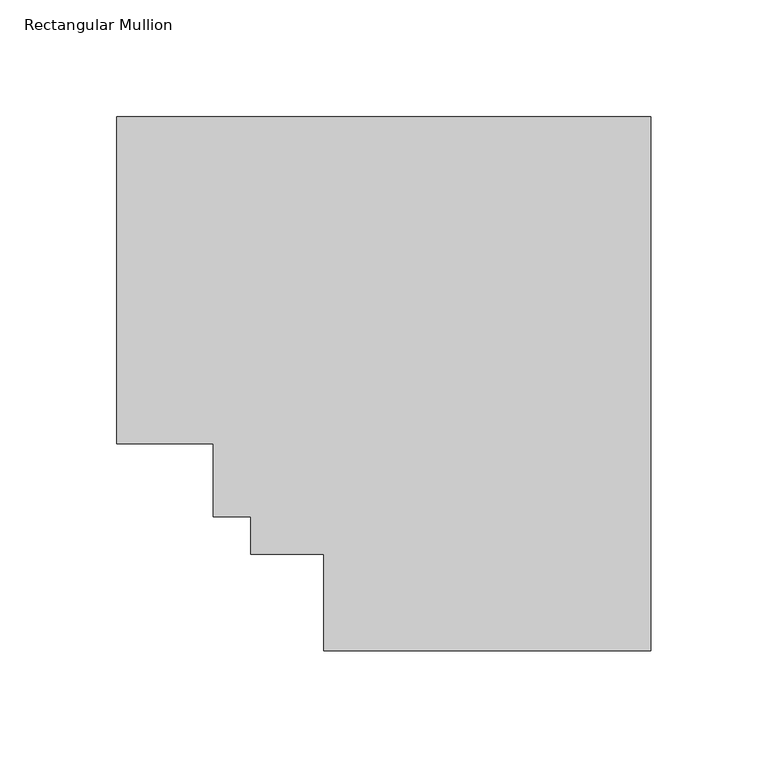
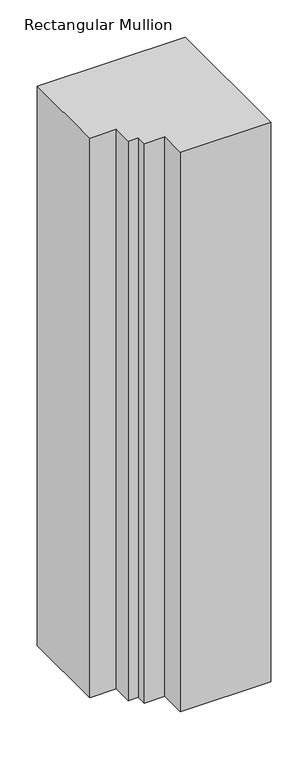
"""IFC4 building model written with IfcOpenShell, lengths in millimetres: member geometry, Rectangular Mullion."""

from ifc_helpers import new_model, si_unit, frame, origin, place, context, project, spatial, polyline, outline, extrude, source, transform, mapped, element, save


def rectangular_mullion_77aef744(model_context):
    return source(origin(), model_context, "Body", "SweptSolid", [
        extrude(outline(polyline([(-228.5662788, 190.7972494), (0.0, 190.7972494), (0.0, -37.7690294), (-139.9769715, -37.7690294), (-139.9769715, 3.5059706), (-171.2189715, 3.5059706), (-171.2189715, 19.578278), (-187.2912788, 19.578278), (-187.2912788, 50.820278), (-228.5662788, 50.820278), (-228.5662788, 190.7972494)])), frame((0.0, 0.0, -914.4), z_axis=(0.0, 0.0, 1.0), x_axis=(1.0, 0.0, 0.0)), (0.0, 0.0, 1.0), 914.4),
    ])


if __name__ == "__main__":
    model = new_model("IFC4")
    model_context = context("Model", 3, world=origin())
    ifc_project = project(units=[si_unit("LENGTHUNIT", "METRE", prefix="MILLI")], contexts=[model_context])
    site = spatial("IfcSite", under=ifc_project)
    building = spatial("IfcBuilding", under=site)
    placement = place(None, origin())
    rectangular_mullion_shape = rectangular_mullion_77aef744(model_context)
    element("IfcMember", 1, ObjectType="Rectangular Mullion", at=placement, inside=building, context=model_context, shape_type="MappedRepresentation", body=[
        mapped(rectangular_mullion_shape, transform((0.0, 0.0, 0.0), x_axis=(1.0, 0.0, 0.0), y_axis=(0.0, 1.0, 0.0), z_axis=(0.0, 0.0, 1.0))),
    ])
    save(model, "model.ifc")
